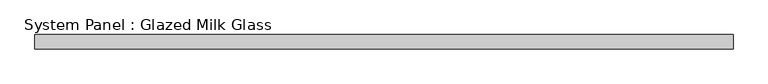
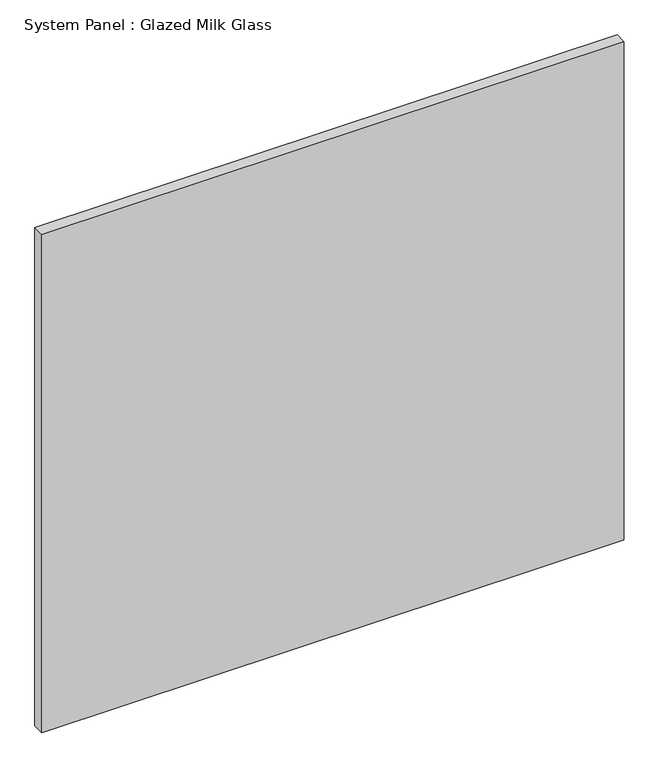
"""IFC4 building model written with IfcOpenShell, lengths in millimetres: plate geometry, System Panel : Glazed Milk Glass."""

from ifc_helpers import new_model, si_unit, origin, origin_with_axes, place, context, project, spatial, polyline, outline, extrude, source, transform, mapped, element, save


def system_panel_glazed_milk_glass_3605be0e(model_context):
    return source(origin(), model_context, "Body", "SweptSolid", [
        extrude(outline(polyline([(610.0000002, -12.5), (-610.0000002, -12.5), (-610.0000002, 12.5), (610.0000002, 12.5), (610.0000002, -12.5)])), origin_with_axes(), (0.0, 0.0, 1.0), 1103.2093509),
    ])


if __name__ == "__main__":
    model = new_model("IFC4")
    model_context = context("Model", 3, world=origin())
    ifc_project = project(units=[si_unit("LENGTHUNIT", "METRE", prefix="MILLI")], contexts=[model_context])
    site = spatial("IfcSite", under=ifc_project)
    building = spatial("IfcBuilding", under=site)
    placement = place(None, origin())
    system_panel_glazed_milk_glass_shape = system_panel_glazed_milk_glass_3605be0e(model_context)
    element("IfcPlate", 1, ObjectType="System Panel : Glazed Milk Glass", at=placement, inside=building, context=model_context, shape_type="MappedRepresentation", body=[
        mapped(system_panel_glazed_milk_glass_shape, transform((0.0, 0.0, 0.0), x_axis=(1.0, 0.0, 0.0), y_axis=(0.0, 1.0, 0.0), z_axis=(0.0, 0.0, 1.0))),
    ])
    save(model, "model.ifc")
